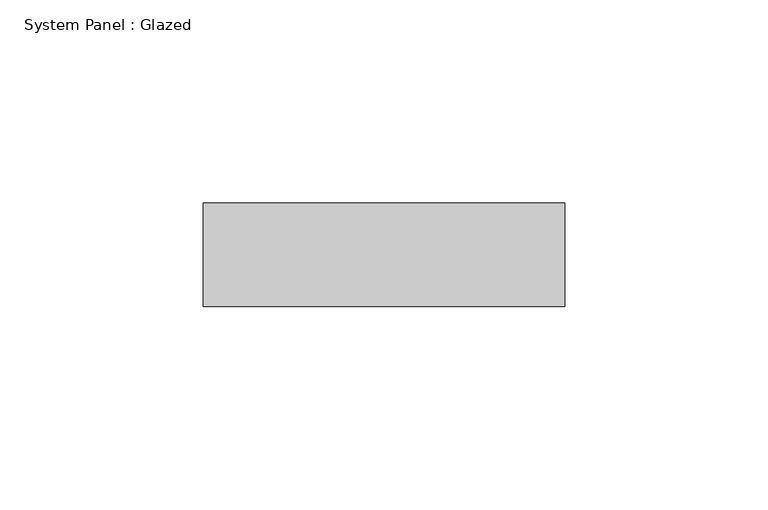
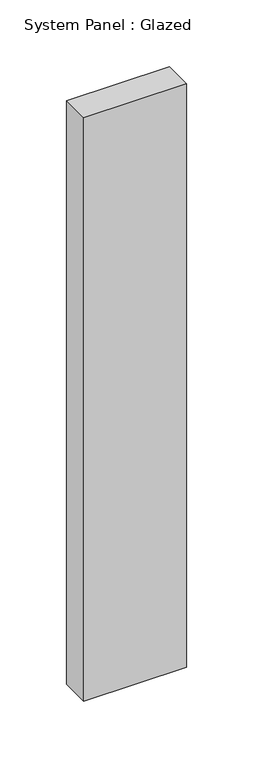
"""IFC4 building model written with IfcOpenShell, lengths in millimetres: plate geometry, System Panel : Glazed."""

from ifc_helpers import new_model, si_unit, origin, origin_with_axes, place, context, project, spatial, polyline, outline, extrude, source, transform, mapped, element, save


def system_panel_glazed_59fb2bf9(model_context):
    return source(origin(), model_context, "Body", "SweptSolid", [
        extrude(outline(polyline([(44.4499998, 19.05), (-44.4499998, 19.05), (-44.4499998, 44.45), (44.4499998, 44.45), (44.4499998, 19.05)])), origin_with_axes(), (0.0, 0.0, 1.0), 533.4),
    ])


if __name__ == "__main__":
    model = new_model("IFC4")
    model_context = context("Model", 3, world=origin())
    ifc_project = project(units=[si_unit("LENGTHUNIT", "METRE", prefix="MILLI")], contexts=[model_context])
    site = spatial("IfcSite", under=ifc_project)
    building = spatial("IfcBuilding", under=site)
    placement = place(None, origin())
    system_panel_glazed_shape = system_panel_glazed_59fb2bf9(model_context)
    element("IfcPlate", 1, ObjectType="System Panel : Glazed", at=placement, inside=building, context=model_context, shape_type="MappedRepresentation", body=[
        mapped(system_panel_glazed_shape, transform((0.0, 0.0, 0.0), x_axis=(1.0, 0.0, 0.0), y_axis=(0.0, 1.0, 0.0), z_axis=(0.0, 0.0, 1.0))),
    ])
    save(model, "model.ifc")
